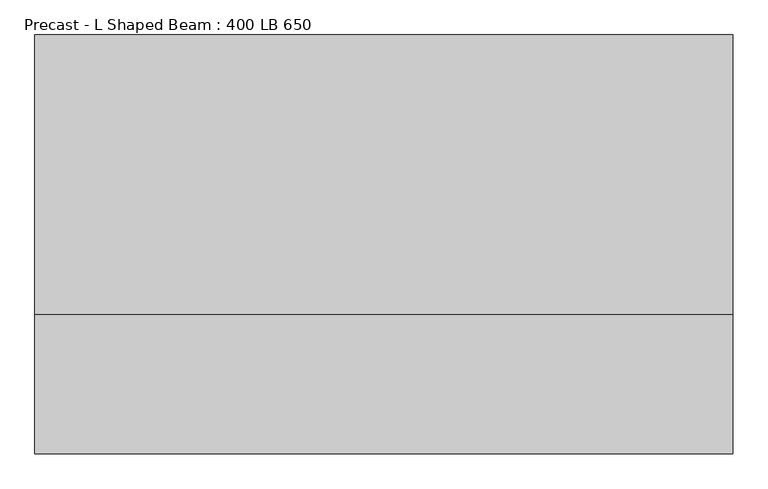
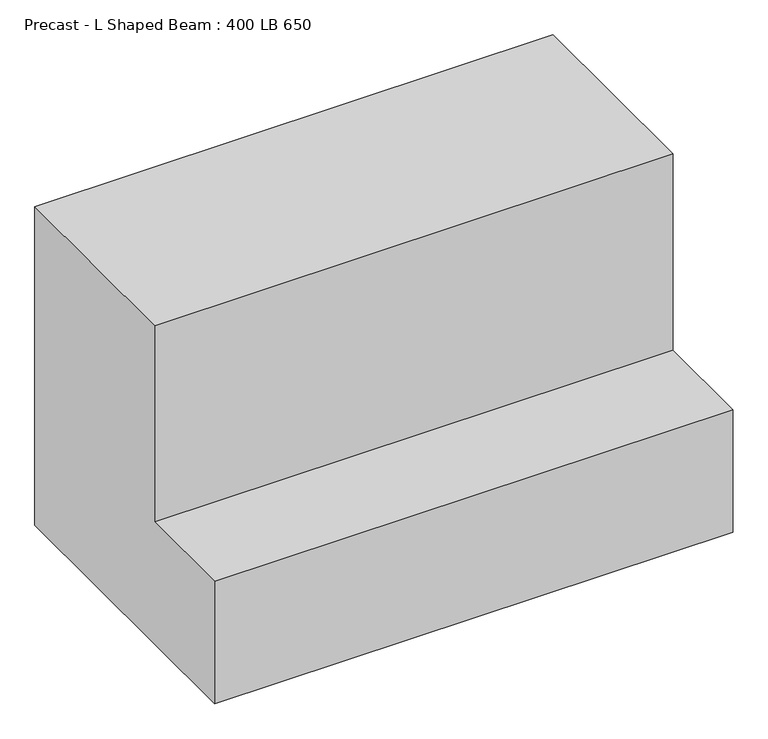
"""IFC4 building model written with IfcOpenShell, lengths in millimetres: beam geometry, Precast - L Shaped Beam : 400 LB 650."""

from ifc_helpers import new_model, si_unit, frame, origin, place, context, project, spatial, polyline, outline, extrude, source, transform, mapped, element, save


def precast_l_shaped_beam_400_lb_650_1ebcc9f2(model_context):
    return source(origin(), model_context, "Body", "SweptSolid", [
        extrude(outline(polyline([(300.0, -325.0), (-300.0, -325.0), (-300.0, -75.0), (-100.0, -75.0), (-100.0, 325.0), (300.0, 325.0), (300.0, -325.0)])), frame((-500.0, 0.0, 0.0), z_axis=(1.0, 0.0, 0.0), x_axis=(0.0, 1.0, 0.0)), (0.0, 0.0, 1.0), 1000.0),
    ])


if __name__ == "__main__":
    model = new_model("IFC4")
    model_context = context("Model", 3, world=origin())
    ifc_project = project(units=[si_unit("LENGTHUNIT", "METRE", prefix="MILLI")], contexts=[model_context])
    site = spatial("IfcSite", under=ifc_project)
    building = spatial("IfcBuilding", under=site)
    placement = place(None, origin())
    precast_l_shaped_beam_400_lb_650_shape = precast_l_shaped_beam_400_lb_650_1ebcc9f2(model_context)
    element("IfcBeam", 1, ObjectType="Precast - L Shaped Beam : 400 LB 650", at=placement, inside=building, context=model_context, shape_type="MappedRepresentation", body=[
        mapped(precast_l_shaped_beam_400_lb_650_shape, transform((0.0, 0.0, 0.0), x_axis=(1.0, 0.0, 0.0), y_axis=(0.0, 1.0, 0.0), z_axis=(0.0, 0.0, 1.0))),
    ])
    save(model, "model.ifc")
